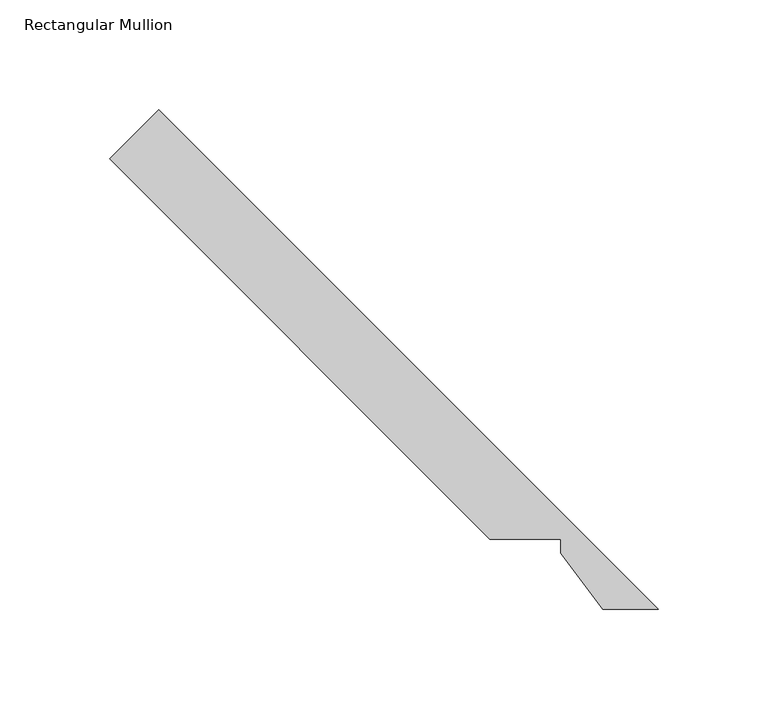
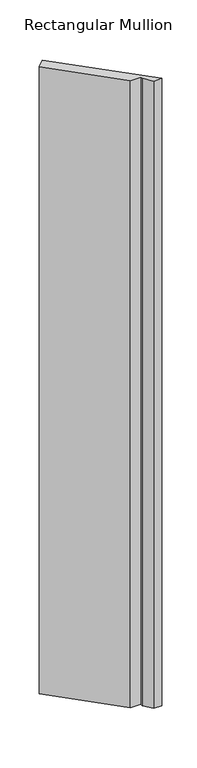
"""IFC4 building model written with IfcOpenShell, lengths in millimetres: member geometry, Rectangular Mullion."""

from ifc_helpers import new_model, si_unit, frame, origin, place, context, project, spatial, polyline, outline, extrude, source, transform, mapped, element, save


def rectangular_mullion_b22939e1(model_context):
    return source(origin(), model_context, "Body", "SweptSolid", [
        extrude(outline(polyline([(-95.7383879, 50.831933), (-269.2113072, 224.3100265), (-246.7593733, 246.7619604), (-18.853481, 18.853481), (-44.1285825, 18.853481), (-63.303481, 44.481933), (-63.303481, 50.831933), (-95.7383879, 50.831933)])), frame((0.0, 0.0, -1993.9000004), z_axis=(0.0, 0.0, 1.0), x_axis=(1.0, 0.0, 0.0)), (0.0, 0.0, 1.0), 1993.9000004),
    ])


if __name__ == "__main__":
    model = new_model("IFC4")
    model_context = context("Model", 3, world=origin())
    ifc_project = project(units=[si_unit("LENGTHUNIT", "METRE", prefix="MILLI")], contexts=[model_context])
    site = spatial("IfcSite", under=ifc_project)
    building = spatial("IfcBuilding", under=site)
    placement = place(None, origin())
    rectangular_mullion_shape = rectangular_mullion_b22939e1(model_context)
    element("IfcMember", 1, ObjectType="Rectangular Mullion", at=placement, inside=building, context=model_context, shape_type="MappedRepresentation", body=[
        mapped(rectangular_mullion_shape, transform((0.0, 0.0, 0.0), x_axis=(1.0, 0.0, 0.0), y_axis=(0.0, 1.0, 0.0), z_axis=(0.0, 0.0, 1.0))),
    ])
    save(model, "model.ifc")
